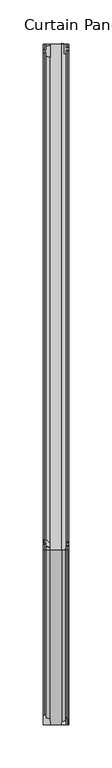
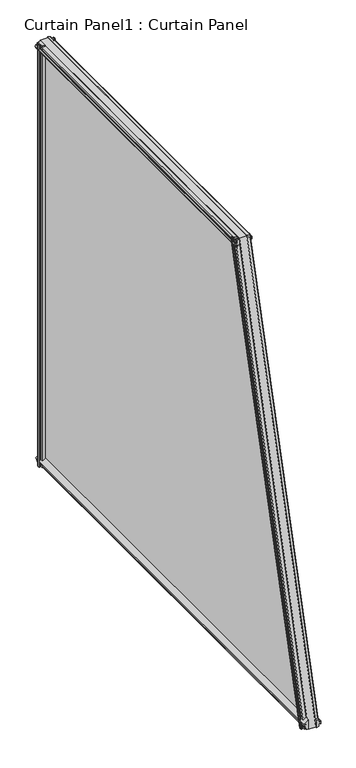
"""IFC4 building model written with IfcOpenShell, lengths in millimetres: plate geometry, Curtain Panel1 : Curtain Panel."""

from ifc_helpers import new_model, si_unit, point, frame, frame_2d, origin, place, context, project, spatial, polyline, circle_curve, trimmed, segment, composite_curve, outline, extrude, source, transform, mapped, element, save


def curtain_panel1_curtain_panel_08efc346(model_context):
    return source(origin(), model_context, "Body", "SweptSolid", [
        extrude(outline(polyline([(-5125.9834163, 1326.6121254), (-5125.5769321, 1328.9489107), (-5124.7641321, 1328.9488814), (-5125.0181879, 1327.3994906), (-5122.3002158, 1327.8820201), (-5122.3002158, 1332.1745926), (-5117.4238067, 1333.4141706), (-5117.4238067, 1319.8093386), (-5122.3004621, 1321.0493533), (-5122.3004621, 1325.3419927), (-5125.0182447, 1325.8246906), (-5124.7643005, 1324.2752814), (-5125.5771005, 1324.2753107), (-5125.9834163, 1326.6121254)])), frame((0.0, 0.0, 941.5678218), z_axis=(0.0, 0.0, 1.0), x_axis=(1.0, 0.0, 0.0)), (0.0, 0.0, 1.0), 757.1782522),
        extrude(outline(polyline([(-5096.1383211, 1329.2526499), (-5096.5448053, 1326.9158645), (-5097.3576053, 1326.9158938), (-5097.1035495, 1328.4652847), (-5099.8213669, 1327.9827826), (-5099.8213669, 1323.6902219), (-5104.5714067, 1322.4827669), (-5104.5714067, 1336.0232647), (-5099.8212754, 1334.8154219), (-5099.8212754, 1330.5227826), (-5097.1034927, 1330.0400847), (-5097.3574369, 1331.5894938), (-5096.5446369, 1331.5894645), (-5096.1383211, 1329.2526499)])), frame((0.0, 0.0, 941.5678218), z_axis=(0.0, 0.0, 1.0), x_axis=(1.0, 0.0, 0.0)), (0.0, 0.0, 1.0), 757.1782522),
        extrude(outline(composite_curve([segment(polyline([(952.7215451, -5125.5553882), (952.7215451, -5123.1677882)]), True, "CONTINUOUS"), segment(trimmed(circle_curve(frame_2d((951.9341451, -5123.1677882)), 0.7874), [point((952.7215451, -5123.1677882))], [point((951.9341451, -5122.3803882))], True, "CARTESIAN"), True, "CONTINUOUS"), segment(polyline([(951.9341451, -5122.3803882), (951.1467451, -5122.3803882), (951.1467451, -5123.9551882), (945.3445501, -5122.3978891), (944.5133491, -5122.3803882)]), True, "CONTINUOUS"), segment(trimmed(circle_curve(frame_2d((944.5646895, -5119.9419882)), 2.4389404), [point((944.5133491, -5122.3803882))], [point((944.5133491, -5117.5035882))], False, "CARTESIAN"), True, "CONTINUOUS"), segment(polyline([(944.5133491, -5117.5035882), (958.5321568, -5117.5035882)]), True, "CONTINUOUS"), segment(trimmed(circle_curve(frame_2d((966.2774447, -5129.2155291)), 14.0413335), [point((958.5321568, -5117.5035882))], [point((952.7215451, -5125.5553882))], True, "CARTESIAN"), True, "CONTINUOUS")], self_intersect=False)), frame((0.0, 545.4706421, 0.0), z_axis=(0.0, 1.0, 0.0), x_axis=(0.0, 0.0, 1.0)), (0.0, 0.0, 1.0), 789.4049403),
        extrude(outline(polyline([(948.7083451, -5097.4375882), (947.1589451, -5097.1835882), (947.6415451, -5099.9013882), (951.9341451, -5099.9013882), (953.1214379, -5104.5714067), (939.6216523, -5104.5714067), (940.8089451, -5099.9013882), (945.1015451, -5099.9013882), (945.5841451, -5097.1835882), (944.0347451, -5097.4375882), (944.0347451, -5096.6247882), (946.3715451, -5096.2183882), (948.7083451, -5096.6247882), (948.7083451, -5097.4375882)])), frame((0.0, 545.4706421, 0.0), z_axis=(0.0, 1.0, 0.0), x_axis=(0.0, 0.0, 1.0)), (0.0, 0.0, 1.0), 789.4049403),
        extrude(outline(polyline([(0.0, -2.9473158), (4.8769061, -4.1870183), (4.8769061, -8.4789645), (7.5947061, -8.961491), (7.3407061, -7.412327), (8.1535061, -7.412327), (8.5599061, -9.7487711), (8.1535061, -12.0852152), (7.3407061, -12.0852152), (7.5947061, -10.5360511), (4.8769061, -11.0185776), (4.8769061, -15.3105239), (0.0, -16.5502264), (0.0, -2.9473158)])), frame((-5117.4238067, 545.4706421, 941.5678218), z_axis=(0.0, 0.25881904510252485, 0.9659258262890673), x_axis=(-1.0, 0.0, 0.0)), (0.0, 0.0, 1.0), 783.8886088),
        extrude(outline(polyline([(-20.9344394, -7.1311348), (-20.5280394, -4.7946908), (-19.7152394, -4.7946908), (-19.9692394, -6.3438548), (-17.2514394, -5.8613283), (-17.2514394, -1.5693821), (-12.8665727, -0.4547553), (-12.8665727, -13.8075144), (-17.2514394, -12.6928877), (-17.2514394, -8.4009415), (-19.9692394, -7.9184149), (-19.7152394, -9.4675789), (-20.5280394, -9.4675789), (-20.9344394, -7.1311348)])), frame((-5117.4238067, 545.4706421, 941.5678218), z_axis=(0.0, 0.25881904510252485, 0.9659258262890673), x_axis=(-1.0, 0.0, 0.0)), (0.0, 0.0, 1.0), 783.8886088),
        extrude(outline(polyline([(1692.8960273, -5124.7410291), (1692.8960273, -5125.5538291), (1690.5592273, -5125.9602291), (1688.2224273, -5125.5538291), (1688.2224273, -5124.7410291), (1689.7718273, -5124.9950291), (1689.2892273, -5122.2772291), (1684.9966273, -5122.2772291), (1683.7627063, -5117.4238067), (1697.3557482, -5117.4238067), (1696.1218273, -5122.2772291), (1691.8292273, -5122.2772291), (1691.3262098, -5125.0178303), (1692.8960273, -5124.7410291)])), frame((0.0, 748.3559433, 0.0), z_axis=(0.0, 1.0, 0.0), x_axis=(0.0, 0.0, 1.0)), (0.0, 0.0, 1.0), 586.5196391),
        extrude(outline(polyline([(1693.2008273, -5096.1152291), (1695.5376273, -5096.5216291), (1695.5376273, -5097.3344291), (1693.9882273, -5097.0804291), (1694.4708273, -5099.7982291), (1698.7634273, -5099.7982291), (1699.976947, -5104.5714067), (1686.4247076, -5104.5714067), (1687.6382273, -5099.7982291), (1691.9308273, -5099.7982291), (1692.4134273, -5097.0804291), (1690.8640273, -5097.3344291), (1690.8640273, -5096.5216291), (1693.2008273, -5096.1152291)])), frame((0.0, 748.3559433, 0.0), z_axis=(0.0, 1.0, 0.0), x_axis=(0.0, 0.0, 1.0)), (0.0, 0.0, 1.0), 586.5196391),
        extrude(outline(polyline([(1334.8755824, 941.5678218), (545.4706421, 941.5678218), (748.3559433, 1698.746074), (1334.8755824, 1698.746074), (1334.8755824, 941.5678218)])), frame((-5117.4238067, 0.0, 0.0), z_axis=(1.0, 0.0, 0.0), x_axis=(0.0, 1.0, 0.0)), (0.0, 0.0, 1.0), 12.8665727),
    ])


if __name__ == "__main__":
    model = new_model("IFC4")
    model_context = context("Model", 3, world=origin())
    ifc_project = project(units=[si_unit("LENGTHUNIT", "METRE", prefix="MILLI")], contexts=[model_context])
    site = spatial("IfcSite", under=ifc_project)
    building = spatial("IfcBuilding", under=site)
    placement = place(None, origin())
    curtain_panel1_curtain_panel_shape = curtain_panel1_curtain_panel_08efc346(model_context)
    element("IfcPlate", 1, ObjectType="Curtain Panel1 : Curtain Panel", at=placement, inside=building, context=model_context, shape_type="MappedRepresentation", body=[
        mapped(curtain_panel1_curtain_panel_shape, transform((0.0, 0.0, 0.0), x_axis=(1.0, 0.0, 0.0), y_axis=(0.0, 1.0, 0.0), z_axis=(0.0, 0.0, 1.0))),
    ])
    save(model, "model.ifc")
